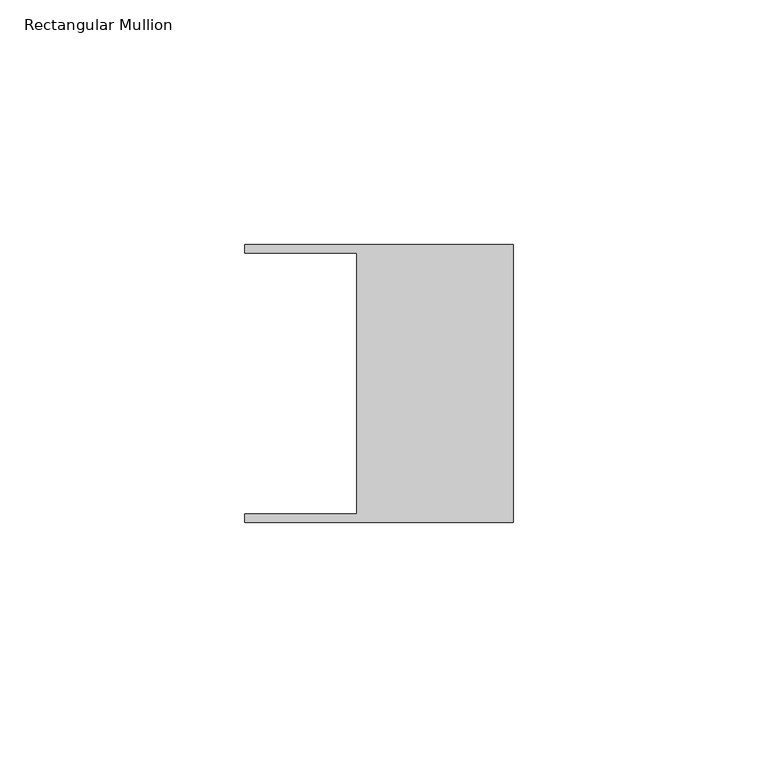
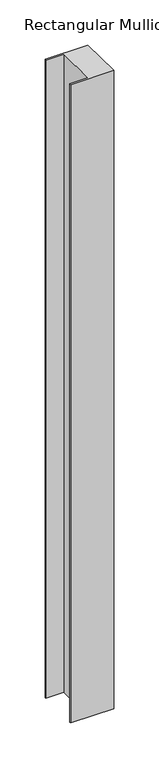
"""IFC4 building model written with IfcOpenShell, lengths in millimetres: member geometry, Rectangular Mullion."""

from ifc_helpers import new_model, si_unit, frame, origin, place, context, project, spatial, polyline, outline, extrude, source, transform, mapped, element, save


def rectangular_mullion_eeb1b359(model_context):
    return source(origin(), model_context, "Body", "SweptSolid", [
        extrude(outline(polyline([(-32.004, -26.67), (-32.004, 26.67), (-54.991, 26.67), (-54.991, 28.448), (0.0, 28.448), (0.0, -28.448), (-54.991, -28.448), (-54.991, -26.67), (-32.004, -26.67)])), frame((0.0, 0.0, -865.2088684), z_axis=(0.0, 0.0, 1.0), x_axis=(1.0, 0.0, 0.0)), (0.0, 0.0, 1.0), 865.2088684),
    ])


if __name__ == "__main__":
    model = new_model("IFC4")
    model_context = context("Model", 3, world=origin())
    ifc_project = project(units=[si_unit("LENGTHUNIT", "METRE", prefix="MILLI")], contexts=[model_context])
    site = spatial("IfcSite", under=ifc_project)
    building = spatial("IfcBuilding", under=site)
    placement = place(None, origin())
    rectangular_mullion_shape = rectangular_mullion_eeb1b359(model_context)
    element("IfcMember", 1, ObjectType="Rectangular Mullion", at=placement, inside=building, context=model_context, shape_type="MappedRepresentation", body=[
        mapped(rectangular_mullion_shape, transform((0.0, 0.0, 0.0), x_axis=(1.0, 0.0, 0.0), y_axis=(0.0, 1.0, 0.0), z_axis=(0.0, 0.0, 1.0))),
    ])
    save(model, "model.ifc")
